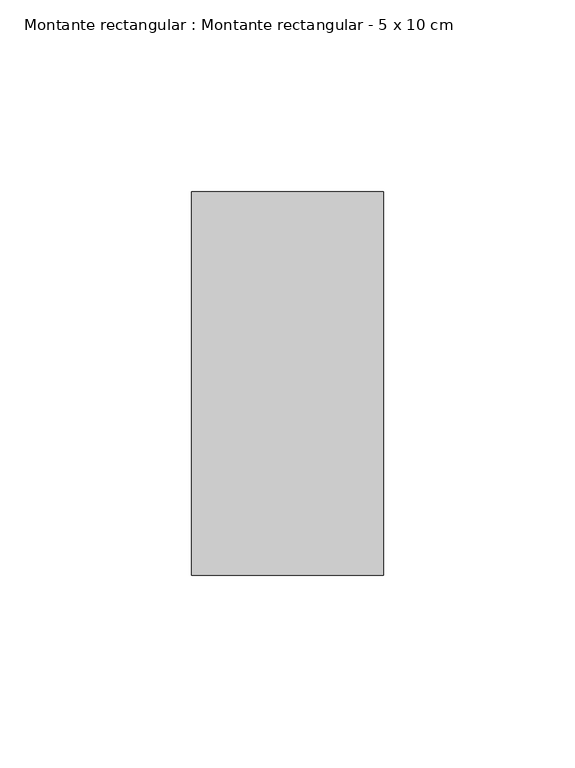
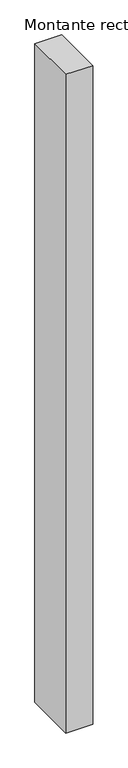
"""IFC4 building model written with IfcOpenShell, lengths in millimetres: member geometry, Montante rectangular : Montante rectangular - 5 x 10 cm."""

from ifc_helpers import new_model, si_unit, frame, origin, place, context, project, spatial, polyline, outline, extrude, source, transform, mapped, element, save


def montante_rectangular_montante_rectangular_5_x_10_cm_28a8c0a1(model_context):
    return source(origin(), model_context, "Body", "SweptSolid", [
        extrude(outline(polyline([(-50.0, 50.0), (0.0, 50.0), (0.0, -50.0), (-50.0, -50.0), (-50.0, 50.0)])), frame((0.0, 0.0, -1300.3436599), z_axis=(0.0, 0.0, 1.0), x_axis=(1.0, 0.0, 0.0)), (0.0, 0.0, 1.0), 1300.3436599),
    ])


if __name__ == "__main__":
    model = new_model("IFC4")
    model_context = context("Model", 3, world=origin())
    ifc_project = project(units=[si_unit("LENGTHUNIT", "METRE", prefix="MILLI")], contexts=[model_context])
    site = spatial("IfcSite", under=ifc_project)
    building = spatial("IfcBuilding", under=site)
    placement = place(None, origin())
    montante_rectangular_montante_rectangular_5_x_10_cm_shape = montante_rectangular_montante_rectangular_5_x_10_cm_28a8c0a1(model_context)
    element("IfcMember", 1, ObjectType="Montante rectangular : Montante rectangular - 5 x 10 cm", at=placement, inside=building, context=model_context, shape_type="MappedRepresentation", body=[
        mapped(montante_rectangular_montante_rectangular_5_x_10_cm_shape, transform((0.0, 0.0, 0.0), x_axis=(1.0, 0.0, 0.0), y_axis=(0.0, 1.0, 0.0), z_axis=(0.0, 0.0, 1.0))),
    ])
    save(model, "model.ifc")
